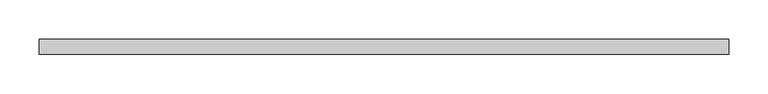
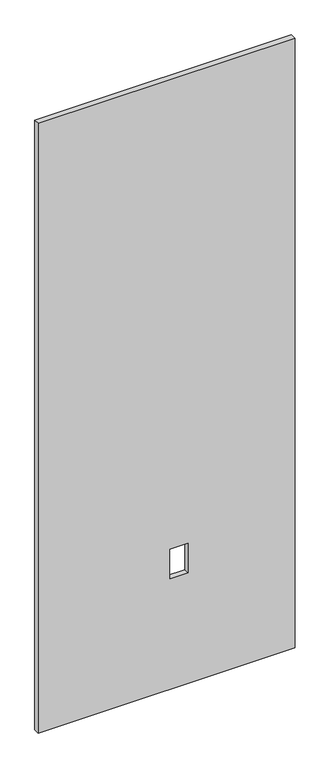
"""IFC4 building model written with IfcOpenShell, lengths in millimetres: proxy geometry."""

from ifc_helpers import new_model, si_unit, frame, origin, place, context, project, spatial, polyline, outline, extrude, source, transform, mapped, element, save


def specialty_equipment_b279e273(model_context):
    return source(origin(), model_context, "Body", "SweptSolid", [
        extrude(outline(polyline([(2206.625, 439.1239898), (2206.625, -439.1239898), (3.175, -439.1239898), (3.175, 439.1239898), (2206.625, 439.1239898)]), holes=[polyline([(509.0668, 74.295), (402.3868, 74.295), (402.3868, 12.065), (509.0668, 12.065), (509.0668, 74.295)])]), frame((0.0, -9.525, 0.0), z_axis=(0.0, 1.0, 0.0), x_axis=(0.0, 0.0, 1.0)), (0.0, 0.0, 1.0), 19.05),
    ])


if __name__ == "__main__":
    model = new_model("IFC4")
    model_context = context("Model", 3, world=origin())
    ifc_project = project(units=[si_unit("LENGTHUNIT", "METRE", prefix="MILLI")], contexts=[model_context])
    site = spatial("IfcSite", under=ifc_project)
    building = spatial("IfcBuilding", under=site)
    placement = place(None, origin())
    specialty_equipment_shape = specialty_equipment_b279e273(model_context)
    element("IfcBuildingElementProxy", 1, Name="Specialty Equipment", at=placement, inside=building, context=model_context, shape_type="MappedRepresentation", body=[
        mapped(specialty_equipment_shape, transform((0.0, 0.0, 0.0), x_axis=(1.0, 0.0, 0.0), y_axis=(0.0, 1.0, 0.0), z_axis=(0.0, 0.0, 1.0))),
    ])
    save(model, "model.ifc")
